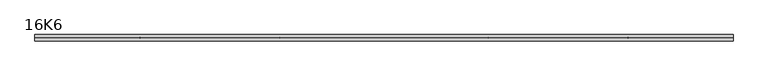
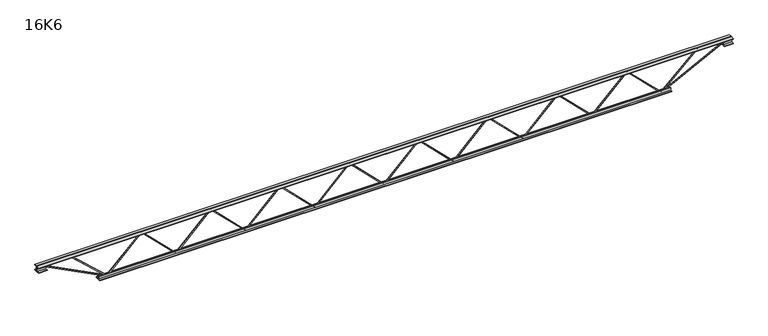
"""IFC4 building model written with IfcOpenShell, lengths in millimetres: beam geometry, 16K6."""

from ifc_helpers import new_model, si_unit, frame, origin, place, context, project, spatial, polyline, outline, extrude, source, transform, mapped, element, save


def beam_16k6_cf0bed65(model_context):
    return source(origin(), model_context, "Body", "SweptSolid", [
        extrude(outline(polyline([(-191.9, 1612.75), (-201.4, 1612.75), (-201.4, 1617.8800686), (191.9, 2014.7175686), (191.9, 2017.1574314), (-201.4, 2413.9949314), (-201.4, 2419.125), (-191.9, 2419.125), (-191.9, 2417.9050686), (201.4, 2021.0675686), (201.4, 2010.8074314), (-191.9, 1613.9699314), (-191.9, 1612.75)])), frame((0.0, -4.75, 0.0), z_axis=(0.0, 1.0, 0.0), x_axis=(0.0, 0.0, 1.0)), (0.0, 0.0, 1.0), 9.5),
        extrude(outline(polyline([(-191.9, 806.375), (-201.4, 806.375), (-201.4, 811.5050686), (191.9, 1208.3425686), (191.9, 1210.7824314), (-201.4, 1607.6199314), (-201.4, 1612.75), (-191.9, 1612.75), (-191.9, 1611.5300686), (201.4, 1214.6925686), (201.4, 1204.4324314), (-191.9, 807.5949314), (-191.9, 806.375)])), frame((0.0, -4.75, 0.0), z_axis=(0.0, 1.0, 0.0), x_axis=(0.0, 0.0, 1.0)), (0.0, 0.0, 1.0), 9.5),
        extrude(outline(polyline([(-191.9, 0.0), (-201.4, 0.0), (-201.4, 5.1300686), (191.9, 401.9675686), (191.9, 404.4074314), (-201.4, 801.2449314), (-201.4, 806.375), (-191.9, 806.375), (-191.9, 805.1550686), (201.4, 408.3175686), (201.4, 398.0574314), (-191.9, 1.2199314), (-191.9, 0.0)])), frame((0.0, -4.75, 0.0), z_axis=(0.0, 1.0, 0.0), x_axis=(0.0, 0.0, 1.0)), (0.0, 0.0, 1.0), 9.5),
        extrude(outline(polyline([(-191.9, -806.375), (-201.4, -806.375), (-201.4, -801.2449314), (191.9, -404.4074314), (191.9, -401.9675686), (-201.4, -5.1300686), (-201.4, 0.0), (-191.9, 0.0), (-191.9, -1.2199314), (201.4, -398.0574314), (201.4, -408.3175686), (-191.9, -805.1550686), (-191.9, -806.375)])), frame((0.0, -4.75, 0.0), z_axis=(0.0, 1.0, 0.0), x_axis=(0.0, 0.0, 1.0)), (0.0, 0.0, 1.0), 9.5),
        extrude(outline(polyline([(-191.9, -1612.75), (-201.4, -1612.75), (-201.4, -1607.6199314), (191.9, -1210.7824314), (191.9, -1208.3425686), (-201.4, -811.5050686), (-201.4, -806.375), (-191.9, -806.375), (-191.9, -807.5949314), (201.4, -1204.4324314), (201.4, -1214.6925686), (-191.9, -1611.5300686), (-191.9, -1612.75)])), frame((0.0, -4.75, 0.0), z_axis=(0.0, 1.0, 0.0), x_axis=(0.0, 0.0, 1.0)), (0.0, 0.0, 1.0), 9.5),
        extrude(outline(polyline([(-191.9, -2419.125), (-201.4, -2419.125), (-201.4, -2413.9949314), (191.9, -2017.1574314), (191.9, -2014.7175686), (-201.4, -1617.8800686), (-201.4, -1612.75), (-191.9, -1612.75), (-191.9, -1613.9699314), (201.4, -2010.8074314), (201.4, -2021.0675686), (-191.9, -2417.9050686), (-191.9, -2419.125)])), frame((0.0, -4.75, 0.0), z_axis=(0.0, 1.0, 0.0), x_axis=(0.0, 0.0, 1.0)), (0.0, 0.0, 1.0), 9.5),
        extrude(outline(polyline([(-191.9, 2419.125), (-201.4, 2419.125), (-201.4, 2424.2550686), (191.9, 2821.0925686), (191.9, 2823.5324314), (-201.4, 3220.3699314), (-201.4, 3225.5), (-191.9, 3225.5), (-191.9, 3224.2800686), (201.4, 2827.4425686), (201.4, 2817.1824314), (-191.9, 2420.3449314), (-191.9, 2419.125)])), frame((0.0, -4.75, 0.0), z_axis=(0.0, 1.0, 0.0), x_axis=(0.0, 0.0, 1.0)), (0.0, 0.0, 1.0), 9.5),
        extrude(outline(polyline([(-191.9, -3225.5), (-201.4, -3225.5), (-201.4, -3220.3699314), (191.9, -2823.5324314), (191.9, -2821.0925686), (-201.4, -2424.2550686), (-201.4, -2419.125), (-191.9, -2419.125), (-191.9, -2420.3449314), (201.4, -2817.1824314), (201.4, -2827.4425686), (-191.9, -3224.2800686), (-191.9, -3225.5)])), frame((0.0, -4.75, 0.0), z_axis=(0.0, 1.0, 0.0), x_axis=(0.0, 0.0, 1.0)), (0.0, 0.0, 1.0), 9.5),
        extrude(outline(polyline([(4.75, 203.0), (36.75, 203.0), (36.75, 196.5), (11.25, 196.5), (11.25, 171.0), (4.75, 171.0), (4.75, 203.0)])), frame((-4037.5, 0.0, 0.0), z_axis=(1.0, 0.0, 0.0), x_axis=(0.0, 1.0, 0.0)), (0.0, 0.0, 1.0), 8075.0),
        extrude(outline(polyline([(-4.75, 203.0), (-4.75, 171.0), (-11.25, 171.0), (-11.25, 196.5), (-36.75, 196.5), (-36.75, 203.0), (-4.75, 203.0)])), frame((-4037.5, 0.0, 0.0), z_axis=(1.0, 0.0, 0.0), x_axis=(0.0, 1.0, 0.0)), (0.0, 0.0, 1.0), 8075.0),
        extrude(outline(polyline([(-4.75, 139.5), (-36.75, 139.5), (-36.75, 146.0), (-11.25, 146.0), (-11.25, 171.0), (-4.75, 171.0), (-4.75, 139.5)])), frame((-4037.5, 0.0, 0.0), z_axis=(1.0, 0.0, 0.0), x_axis=(0.0, 1.0, 0.0)), (0.0, 0.0, 1.0), 100.0),
        extrude(outline(polyline([(36.75, 139.5), (4.75, 139.5), (4.75, 171.0), (11.25, 171.0), (11.25, 146.0), (36.75, 146.0), (36.75, 139.5)])), frame((-4037.5, 0.0, 0.0), z_axis=(1.0, 0.0, 0.0), x_axis=(0.0, 1.0, 0.0)), (0.0, 0.0, 1.0), 100.0),
        extrude(outline(polyline([(4.75, 139.5), (4.75, 171.0), (11.25, 171.0), (11.25, 146.0), (36.75, 146.0), (36.75, 139.5), (4.75, 139.5)])), frame((3937.5, 0.0, 0.0), z_axis=(1.0, 0.0, 0.0), x_axis=(0.0, 1.0, 0.0)), (0.0, 0.0, 1.0), 100.0),
        extrude(outline(polyline([(-4.75, 139.5), (-36.75, 139.5), (-36.75, 146.0), (-11.25, 146.0), (-11.25, 171.0), (-4.75, 171.0), (-4.75, 139.5)])), frame((3937.5, 0.0, 0.0), z_axis=(1.0, 0.0, 0.0), x_axis=(0.0, 1.0, 0.0)), (0.0, 0.0, 1.0), 100.0),
        extrude(outline(polyline([(4.75, -203.0), (4.75, -171.0), (11.25, -171.0), (11.25, -196.5), (36.75, -196.5), (36.75, -203.0), (4.75, -203.0)])), frame((-3325.5, 0.0, 0.0), z_axis=(1.0, 0.0, 0.0), x_axis=(0.0, 1.0, 0.0)), (0.0, 0.0, 1.0), 6651.0),
        extrude(outline(polyline([(-4.75, -203.0), (-36.75, -203.0), (-36.75, -196.5), (-11.25, -196.5), (-11.25, -171.0), (-4.75, -171.0), (-4.75, -203.0)])), frame((-3325.5, 0.0, 0.0), z_axis=(1.0, 0.0, 0.0), x_axis=(0.0, 1.0, 0.0)), (0.0, 0.0, 1.0), 6651.0),
        extrude(outline(polyline([(-200.8705467, -3227.6793315), (-192.4294533, -3223.3206685), (175.75, -3936.3460208), (175.75, -4037.5), (166.25, -4037.5), (166.25, -3938.6539792), (-200.8705467, -3227.6793315)])), frame((0.0, -4.75, 0.0), z_axis=(0.0, 1.0, 0.0), x_axis=(0.0, 0.0, 1.0)), (0.0, 0.0, 1.0), 9.5),
        extrude(outline(polyline([(188.7, -3648.6446429), (179.2, -3648.6446429), (179.2, -3637.8080299), (-200.1329989, -3228.7297397), (-193.1670011, -3222.2702603), (188.7, -3634.0812558), (188.7, -3648.6446429)])), frame((0.0, -4.75, 0.0), z_axis=(0.0, 1.0, 0.0), x_axis=(0.0, 0.0, 1.0)), (0.0, 0.0, 1.0), 9.5),
        extrude(outline(polyline([(0.0, -9.5), (0.0, 0.0), (801.3179909, 0.0), (801.3179909, -9.5), (0.0, -9.5)])), frame((3939.6793315, -4.75, 166.7794533), z_axis=(-0.4588066213244959, 0.0, 0.8885361468329809), x_axis=(-0.8885361468329809, 0.0, -0.4588066213244959)), (0.0, 0.0, 1.0), 9.5),
        extrude(outline(polyline([(0.0, -9.5), (0.0, 0.0), (573.7243866, 0.0), (573.7243866, -9.5), (0.0, -9.5)])), frame((3646.4580095, -4.75, 193.191748), z_axis=(-0.6855207991512604, 0.0, 0.7280530433498766), x_axis=(-0.7280530433498766, 0.0, -0.6855207991512604)), (0.0, 0.0, 1.0), 9.5),
    ])


if __name__ == "__main__":
    model = new_model("IFC4")
    model_context = context("Model", 3, world=origin())
    ifc_project = project(units=[si_unit("LENGTHUNIT", "METRE", prefix="MILLI")], contexts=[model_context])
    site = spatial("IfcSite", under=ifc_project)
    building = spatial("IfcBuilding", under=site)
    placement = place(None, origin())
    beam_16k6_shape = beam_16k6_cf0bed65(model_context)
    element("IfcBeam", 1, ObjectType="16K6", at=placement, inside=building, context=model_context, shape_type="MappedRepresentation", body=[
        mapped(beam_16k6_shape, transform((0.0, 0.0, 0.0), x_axis=(1.0, 0.0, 0.0), y_axis=(0.0, 1.0, 0.0), z_axis=(0.0, 0.0, 1.0))),
    ])
    save(model, "model.ifc")
